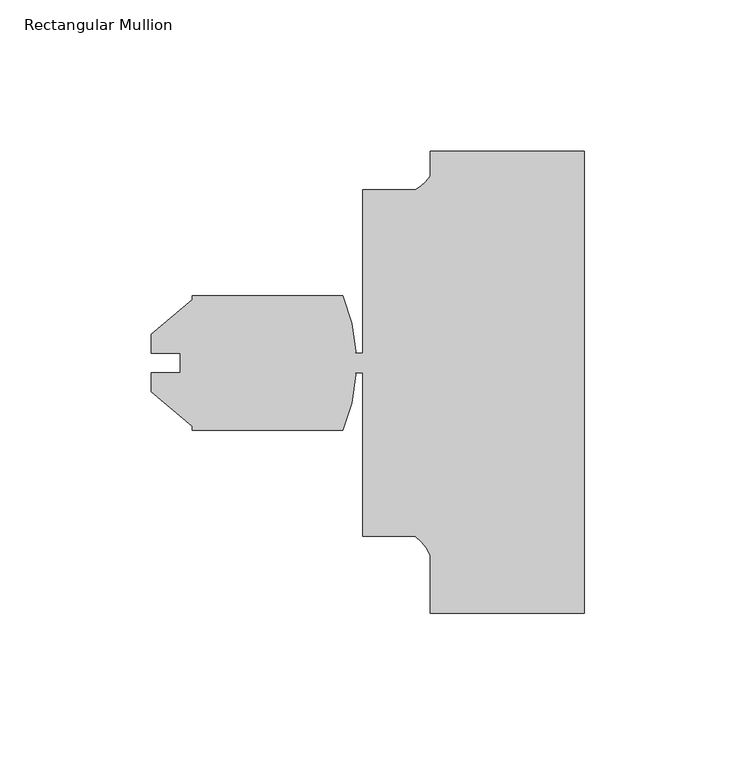
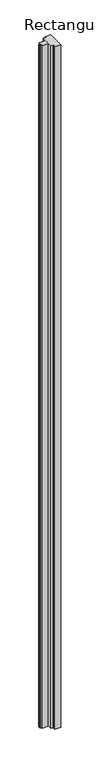
"""IFC4 building model written with IfcOpenShell, lengths in millimetres: member geometry, Rectangular Mullion."""

import ifcopenshell
import ifcopenshell.guid

model = None  # the IFC model being written
_history = None  # IfcOwnerHistory: only IFC2X3 demands one
_inside = {}  # id of a spatial element -> (the spatial element, [elements in it])
_under = {}  # id of a project, library or spatial element -> (it, [spatial elements below it])
_declared = {}  # id of a project -> (the project, [libraries it declares])
_typed = {}  # id of a type object -> (the type object, [elements of that type])
_made_of = {}  # id of a material, layer set ... -> (it, [elements and type objects made of it])


def new_model(schema):
    """Start an empty IFC model of exactly this schema.

    Asked for "IFC4X3", IfcOpenShell would pick the latest addendum, in which some entities
    have other attributes; the version numbers below select the first issue.
    IFC2X3 requires an IfcOwnerHistory on every rooted entity: one is made here for all.
    """
    global model, _history
    if schema == "IFC4X3":
        model = ifcopenshell.file(schema_version=(4, 3, 0, 0))
    else:
        model = ifcopenshell.file(schema=schema)
    _inside.clear()
    _under.clear()
    _declared.clear()
    _typed.clear()
    _made_of.clear()
    _history = None
    if model.schema == "IFC2X3":
        org = make("IfcOrganization", Name="unknown")
        user = make(
            "IfcPersonAndOrganization",
            ThePerson=make("IfcPerson", FamilyName="unknown"),
            TheOrganization=org,
        )
        app = make(
            "IfcApplication",
            ApplicationDeveloper=org,
            Version="unknown",
            ApplicationFullName="unknown",
            ApplicationIdentifier="unknown",
        )
        _history = make(
            "IfcOwnerHistory",
            OwningUser=user,
            OwningApplication=app,
            ChangeAction="ADDED",
            CreationDate=0,
        )
    return model


def make(cls, **values):
    """One entity of the class cls with the attributes given. An attribute that is None is left unset."""
    return model.create_entity(
        cls, **{name: value for name, value in values.items() if value is not None}
    )


def rooted(cls, **values):
    """An entity with a GlobalId (a new one), such as an element, a storey or a relation."""
    return make(cls, GlobalId=ifcopenshell.guid.new(), OwnerHistory=_history, **values)


def si_unit(unit_type, name, prefix=None):
    """IfcSIUnit, for example si_unit("LENGTHUNIT", "METRE", prefix="MILLI")."""
    return make("IfcSIUnit", UnitType=unit_type, Prefix=prefix, Name=name)


def assignment(units):
    """IfcUnitAssignment: the units of a project."""
    return None if units is None else make("IfcUnitAssignment", Units=units)


def point(xyz):
    """IfcCartesianPoint."""
    return None if xyz is None else make("IfcCartesianPoint", Coordinates=xyz)


def direction(xyz):
    """IfcDirection."""
    return None if xyz is None else make("IfcDirection", DirectionRatios=xyz)


def frame(location, z_axis=None, x_axis=None):
    """IfcAxis2Placement3D, a coordinate frame: its origin and axes. An axis left out is left unset."""
    return make(
        "IfcAxis2Placement3D",
        Location=point(location),
        Axis=direction(z_axis),
        RefDirection=direction(x_axis),
    )


def frame_2d(location, x_axis=None):
    """IfcAxis2Placement2D, a coordinate frame in the plane: its origin and x axis."""
    return make(
        "IfcAxis2Placement2D", Location=point(location), RefDirection=direction(x_axis)
    )


def origin():
    """The frame at (0, 0, 0) with its axes left unset."""
    return frame((0.0, 0.0, 0.0))


def place(relative_to, where):
    """IfcLocalPlacement: puts the frame where relative to a parent placement (None: the world)."""
    return make(
        "IfcLocalPlacement", PlacementRelTo=relative_to, RelativePlacement=where
    )


def context(
    kind, dimensions, precision=None, world=None, true_north=None, identifier=None
):
    """IfcGeometricRepresentationContext, for example the 3D "Model" context."""
    return make(
        "IfcGeometricRepresentationContext",
        ContextIdentifier=identifier,
        ContextType=kind,
        CoordinateSpaceDimension=dimensions,
        Precision=precision,
        WorldCoordinateSystem=world,
        TrueNorth=true_north,
    )


def project(units=None, contexts=None):
    """IfcProject with its units and contexts."""
    return rooted(
        "IfcProject",
        Name="project",
        RepresentationContexts=contexts,
        UnitsInContext=assignment(units),
    )


def spatial(cls, under=None, at=None, **own):
    """A site, building, storey or space (cls), placed at a placement, below another one or the project."""
    s = rooted(cls, ObjectPlacement=at, **own)
    if under is not None:
        _under.setdefault(under.id(), (under, []))[1].append(s)
    return s


def polyline(points):
    """IfcPolyline through the points."""
    return make("IfcPolyline", Points=[point(p) for p in points])


def circle_curve(where, radius):
    """IfcCircle in the frame where."""
    return make("IfcCircle", Position=where, Radius=radius)


def trimmed(basis, trim1, trim2, sense, master):
    """IfcTrimmedCurve: the piece of a basis curve between two trims."""
    return make(
        "IfcTrimmedCurve",
        BasisCurve=basis,
        Trim1=trim1,
        Trim2=trim2,
        SenseAgreement=sense,
        MasterRepresentation=master,
    )


def segment(curve, same_sense, transition):
    """IfcCompositeCurveSegment."""
    return make(
        "IfcCompositeCurveSegment",
        Transition=transition,
        SameSense=same_sense,
        ParentCurve=curve,
    )


def composite_curve(segments, self_intersect=None):
    """IfcCompositeCurve: segments joined end to end."""
    return make("IfcCompositeCurve", Segments=segments, SelfIntersect=self_intersect)


def outline(outer, holes=None, kind="AREA"):
    """IfcArbitraryClosedProfileDef: a profile drawn as a closed curve; with holes, ...WithVoids."""
    if holes is None:
        return make("IfcArbitraryClosedProfileDef", ProfileType=kind, OuterCurve=outer)
    return make(
        "IfcArbitraryProfileDefWithVoids",
        ProfileType=kind,
        OuterCurve=outer,
        InnerCurves=holes,
    )


def extrude(swept, where, along, depth):
    """IfcExtrudedAreaSolid: the profile swept, set in the frame where, extruded along a direction by depth."""
    return make(
        "IfcExtrudedAreaSolid",
        SweptArea=swept,
        Position=where,
        ExtrudedDirection=direction(along),
        Depth=depth,
    )


def shape(context_of_items, identifier, shape_type, items):
    """IfcShapeRepresentation: the items that make up one representation, for example the "Body"."""
    return make(
        "IfcShapeRepresentation",
        ContextOfItems=context_of_items,
        RepresentationIdentifier=identifier,
        RepresentationType=shape_type,
        Items=items,
    )


def source(mapping_origin, context_of_items, identifier, shape_type, items):
    """IfcRepresentationMap: a shape defined once, which mapped items show again and again."""
    return make(
        "IfcRepresentationMap",
        MappingOrigin=mapping_origin,
        MappedRepresentation=shape(context_of_items, identifier, shape_type, items),
    )


def transform(
    local_origin,
    x_axis=None,
    y_axis=None,
    z_axis=None,
    scale=None,
    scale2=None,
    scale3=None,
    uniform=True,
):
    """IfcCartesianTransformationOperator3D, or its non-uniform kind. x_axis, y_axis, z_axis: its Axis1, 2, 3."""
    if uniform:
        return make(
            "IfcCartesianTransformationOperator3D",
            Axis1=direction(x_axis),
            Axis2=direction(y_axis),
            LocalOrigin=point(local_origin),
            Scale=scale,
            Axis3=direction(z_axis),
        )
    return make(
        "IfcCartesianTransformationOperator3DnonUniform",
        Axis1=direction(x_axis),
        Axis2=direction(y_axis),
        LocalOrigin=point(local_origin),
        Scale=scale,
        Axis3=direction(z_axis),
        Scale2=scale2,
        Scale3=scale3,
    )


def mapped(mapping_source, mapping_target):
    """IfcMappedItem: shows the shape of a source again, moved by a transform."""
    return make(
        "IfcMappedItem", MappingSource=mapping_source, MappingTarget=mapping_target
    )


def made_of(thing, what):
    """Note that an element or type object is made of a material, layer set ...; save() writes the relation."""
    if what is not None:
        _made_of.setdefault(what.id(), (what, []))[1].append(thing)
    return thing


def element(
    cls,
    number,
    at=None,
    inside=None,
    cuts=None,
    type_object=None,
    material=None,
    context=None,
    identifier="Body",
    shape_type=None,
    held_by="IfcProductDefinitionShape",
    body=None,
    shapes=None,
    **own,
):
    """One element of the class cls, such as IfcWall. Its Tag is "e" and its number.

    at: its placement. inside: the storey or other place that contains it. cuts: it is an
    opening in that element (IfcRelVoidsElement). A single representation is given by context,
    identifier, shape_type and body (its items); several are given by shapes. held_by: the class
    of the entity that holds the representations. save() writes the other relations.
    """
    e = rooted(cls, Tag="e%d" % number, ObjectPlacement=at, **own)
    if body is not None:
        shapes = [shape(context, identifier, shape_type, body)]
    if shapes is not None:
        e.Representation = make(held_by, Representations=shapes)
    if inside is not None:
        _inside.setdefault(inside.id(), (inside, []))[1].append(e)
    if cuts is not None:
        rooted(
            "IfcRelVoidsElement", RelatingBuildingElement=cuts, RelatedOpeningElement=e
        )
    if type_object is not None:
        _typed.setdefault(type_object.id(), (type_object, []))[1].append(e)
    return made_of(e, material)


def aggregate(whole, parts):
    """IfcRelAggregates: a whole, such as a stair, and the parts it consists of."""
    return rooted("IfcRelAggregates", RelatingObject=whole, RelatedObjects=parts)


def save(model, path):
    """Write the relations noted so far, then the file.

    IfcRelAggregates (storeys below a building ...), IfcRelContainedInSpatialStructure (elements
    in a storey), IfcRelDefinesByType, IfcRelAssociatesMaterial and IfcRelDeclares: one each for
    every whole, place, type object, material and project.
    """
    for whole, parts in _under.values():
        aggregate(whole, parts)
    for where, things in _inside.values():
        rooted(
            "IfcRelContainedInSpatialStructure",
            RelatedElements=things,
            RelatingStructure=where,
        )
    for kind, things in _typed.values():
        rooted("IfcRelDefinesByType", RelatedObjects=things, RelatingType=kind)
    for what, things in _made_of.values():
        rooted("IfcRelAssociatesMaterial", RelatedObjects=things, RelatingMaterial=what)
    for by, libraries in _declared.values():
        rooted("IfcRelDeclares", RelatingContext=by, RelatedDefinitions=libraries)
    model.write(path)


def rectangular_mullion_c1fac797(model_context):
    return source(origin(), model_context, "Body", "SweptSolid", [
        extrude(outline(composite_curve([segment(polyline([(-50.8000102, 0.0), (0.0, 0.0), (0.0, -152.4), (-50.8, -152.4), (-50.8, -133.228246)]), True, "CONTINUOUS"), segment(trimmed(circle_curve(frame_2d((-64.9144624, -139.281361)), 15.3576772), [point((-50.8, -133.228246))], [point((-55.6934851, -127.0))], True, "CARTESIAN"), True, "CONTINUOUS"), segment(polyline([(-55.6934851, -127.0), (-73.025, -127.0), (-73.025, -73.0249987), (-75.8770619, -73.0249987)]), True, "CONTINUOUS"), segment(trimmed(circle_curve(frame_2d((-75.9833903, -73.6203947)), 0.6048158), [point((-75.8770619, -73.0249987))], [point((-75.3829555, -73.6930592))], False, "CARTESIAN"), True, "CONTINUOUS"), segment(trimmed(circle_curve(frame_2d((-133.9818721, -69.85)), 58.7248), [point((-75.3829555, -73.6930592))], [point((-79.6251659, -92.075))], False, "CARTESIAN"), True, "CONTINUOUS"), segment(polyline([(-79.6251659, -92.075), (-129.3471699, -92.075), (-129.3471699, -90.6782933), (-142.8091699, -79.382334), (-142.8091699, -73.0120621), (-133.3286199, -73.0120621), (-133.3286199, -66.6879379), (-142.8091699, -66.6879379), (-142.8091699, -60.317666), (-129.3471699, -49.0217067), (-129.3471699, -47.625), (-79.6251659, -47.625)]), True, "CONTINUOUS"), segment(trimmed(circle_curve(frame_2d((-133.9818721, -69.85)), 58.7248), [point((-79.6251659, -47.625))], [point((-75.3829555, -66.0069408))], False, "CARTESIAN"), True, "CONTINUOUS"), segment(trimmed(circle_curve(frame_2d((-75.9833903, -66.0796053)), 0.6048158), [point((-75.3829555, -66.0069408))], [point((-75.8770619, -66.6750013))], False, "CARTESIAN"), True, "CONTINUOUS"), segment(polyline([(-75.8770619, -66.6750013), (-73.025, -66.6750013), (-73.025, -12.7), (-55.7723453, -12.7)]), True, "CONTINUOUS"), segment(trimmed(circle_curve(frame_2d((-62.7094465, -0.1243368)), 14.3621265), [point((-55.7723453, -12.7))], [point((-50.8000102, -8.1515407))], True, "CARTESIAN"), True, "CONTINUOUS"), segment(polyline([(-50.8000102, -8.1515407), (-50.8000102, 0.0)]), True, "CONTINUOUS")], self_intersect=False)), frame((0.0, 0.0, -6489.640405), z_axis=(0.0, 0.0, 1.0), x_axis=(1.0, 0.0, 0.0)), (0.0, 0.0, 1.0), 6489.640405),
    ])


if __name__ == "__main__":
    model = new_model("IFC4")
    model_context = context("Model", 3, world=origin())
    ifc_project = project(units=[si_unit("LENGTHUNIT", "METRE", prefix="MILLI")], contexts=[model_context])
    site = spatial("IfcSite", under=ifc_project)
    building = spatial("IfcBuilding", under=site)
    placement = place(None, origin())
    rectangular_mullion_shape = rectangular_mullion_c1fac797(model_context)
    element("IfcMember", 1, ObjectType="Rectangular Mullion", at=placement, inside=building, context=model_context, shape_type="MappedRepresentation", body=[
        mapped(rectangular_mullion_shape, transform((0.0, 0.0, 0.0), x_axis=(1.0, 0.0, 0.0), y_axis=(0.0, 1.0, 0.0), z_axis=(0.0, 0.0, 1.0))),
    ])
    save(model, "model.ifc")
